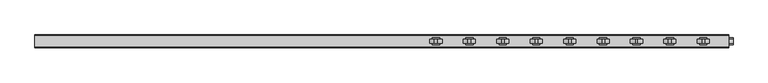
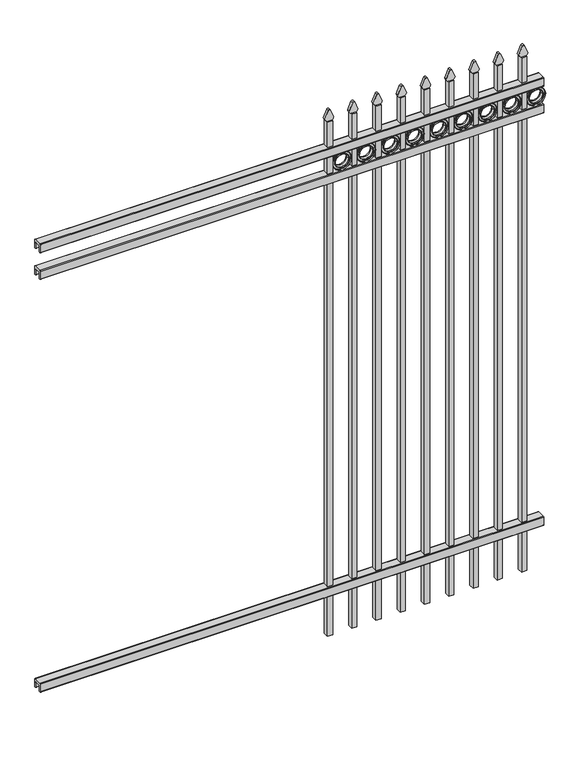
"""IFC4 building model written with IfcOpenShell, lengths in millimetres: railing geometry."""

from ifc_helpers import new_model, si_unit, point, frame, frame_2d, origin, place, context, project, spatial, polyline, circle_curve, trimmed, segment, composite_curve, outline, extrude, source, transform, mapped, element, save


def railing_de94c84d(model_context):
    return source(origin(), model_context, "Body", "SweptSolid", [
        extrude(outline(composite_curve([segment(polyline([(5777.9139761, 304.8), (5815.969541, 304.8)]), True, "CONTINUOUS"), segment(trimmed(circle_curve(frame_2d((5815.969541, 301.625)), 3.175), [point((5815.969541, 304.8))], [point((5819.144541, 301.625))], False, "CARTESIAN"), True, "CONTINUOUS"), segment(polyline([(5819.144541, 301.625), (5819.144541, 262.1439893)]), True, "CONTINUOUS"), segment(trimmed(circle_curve(frame_2d((5817.3505518, 262.1439893)), 1.7939893), [point((5819.144541, 262.1439893))], [point((5817.3505518, 260.35))], False, "CARTESIAN"), True, "CONTINUOUS"), segment(polyline([(5817.3505518, 260.35), (5814.7590713, 260.35)]), True, "CONTINUOUS"), segment(trimmed(circle_curve(frame_2d((5814.7590713, 262.1359375)), 1.7859375), [point((5814.7590713, 260.35))], [point((5812.9755813, 262.0424688))], False, "CARTESIAN"), True, "CONTINUOUS"), segment(polyline([(5812.9755813, 262.0424688), (5811.4025867, 292.0569942), (5782.4364954, 292.0569942), (5780.8635007, 262.0424688)]), True, "CONTINUOUS"), segment(trimmed(circle_curve(frame_2d((5779.0800108, 262.1359375)), 1.7859375), [point((5780.8635007, 262.0424688))], [point((5779.0800108, 260.35))], False, "CARTESIAN"), True, "CONTINUOUS"), segment(polyline([(5779.0800108, 260.35), (5776.4804785, 260.35)]), True, "CONTINUOUS"), segment(trimmed(circle_curve(frame_2d((5776.4804785, 262.1359375)), 1.7859375), [point((5776.4804785, 260.35))], [point((5774.694541, 262.1359375))], False, "CARTESIAN"), True, "CONTINUOUS"), segment(polyline([(5774.694541, 262.1359375), (5774.694541, 301.5805649)]), True, "CONTINUOUS"), segment(trimmed(circle_curve(frame_2d((5777.9139761, 301.5805649)), 3.2194351), [point((5774.694541, 301.5805649))], [point((5777.9139761, 304.8))], False, "CARTESIAN"), True, "CONTINUOUS")], self_intersect=False)), frame((-23871.4649936, 0.0, 0.0), z_axis=(1.0, 0.0, 0.0), x_axis=(0.0, 1.0, 0.0)), (0.0, 0.0, 1.0), 2438.4),
        extrude(outline(composite_curve([segment(polyline([(5777.9139761, 2417.7625), (5815.969541, 2417.7625)]), True, "CONTINUOUS"), segment(trimmed(circle_curve(frame_2d((5815.969541, 2414.5875)), 3.175), [point((5815.969541, 2417.7625))], [point((5819.144541, 2414.5875))], False, "CARTESIAN"), True, "CONTINUOUS"), segment(polyline([(5819.144541, 2414.5875), (5819.144541, 2375.1064893)]), True, "CONTINUOUS"), segment(trimmed(circle_curve(frame_2d((5817.3505518, 2375.1064893)), 1.7939893), [point((5819.144541, 2375.1064893))], [point((5817.3505518, 2373.3125))], False, "CARTESIAN"), True, "CONTINUOUS"), segment(polyline([(5817.3505518, 2373.3125), (5814.7590713, 2373.3125)]), True, "CONTINUOUS"), segment(trimmed(circle_curve(frame_2d((5814.7590713, 2375.0984375)), 1.7859375), [point((5814.7590713, 2373.3125))], [point((5812.9755813, 2375.0049688))], False, "CARTESIAN"), True, "CONTINUOUS"), segment(polyline([(5812.9755813, 2375.0049688), (5811.4025867, 2405.0194942), (5782.4364954, 2405.0194942), (5780.8635007, 2375.0049688)]), True, "CONTINUOUS"), segment(trimmed(circle_curve(frame_2d((5779.0800108, 2375.0984375)), 1.7859375), [point((5780.8635007, 2375.0049688))], [point((5779.0800108, 2373.3125))], False, "CARTESIAN"), True, "CONTINUOUS"), segment(polyline([(5779.0800108, 2373.3125), (5776.4804785, 2373.3125)]), True, "CONTINUOUS"), segment(trimmed(circle_curve(frame_2d((5776.4804785, 2375.0984375)), 1.7859375), [point((5776.4804785, 2373.3125))], [point((5774.694541, 2375.0984375))], False, "CARTESIAN"), True, "CONTINUOUS"), segment(polyline([(5774.694541, 2375.0984375), (5774.694541, 2414.5430649)]), True, "CONTINUOUS"), segment(trimmed(circle_curve(frame_2d((5777.9139761, 2414.5430649)), 3.2194351), [point((5774.694541, 2414.5430649))], [point((5777.9139761, 2417.7625))], False, "CARTESIAN"), True, "CONTINUOUS")], self_intersect=False)), frame((-23871.4649936, 0.0, 0.0), z_axis=(1.0, 0.0, 0.0), x_axis=(0.0, 1.0, 0.0)), (0.0, 0.0, 1.0), 2438.4),
        extrude(outline(composite_curve([segment(polyline([(5777.9139761, 2554.2875), (5815.969541, 2554.2875)]), True, "CONTINUOUS"), segment(trimmed(circle_curve(frame_2d((5815.969541, 2551.1125)), 3.175), [point((5815.969541, 2554.2875))], [point((5819.144541, 2551.1125))], False, "CARTESIAN"), True, "CONTINUOUS"), segment(polyline([(5819.144541, 2551.1125), (5819.144541, 2511.6314893)]), True, "CONTINUOUS"), segment(trimmed(circle_curve(frame_2d((5817.3505518, 2511.6314893)), 1.7939893), [point((5819.144541, 2511.6314893))], [point((5817.3505518, 2509.8375))], False, "CARTESIAN"), True, "CONTINUOUS"), segment(polyline([(5817.3505518, 2509.8375), (5814.7590713, 2509.8375)]), True, "CONTINUOUS"), segment(trimmed(circle_curve(frame_2d((5814.7590713, 2511.6234375)), 1.7859375), [point((5814.7590713, 2509.8375))], [point((5812.9755813, 2511.5299688))], False, "CARTESIAN"), True, "CONTINUOUS"), segment(polyline([(5812.9755813, 2511.5299688), (5811.4025867, 2541.5444942), (5782.4364954, 2541.5444942), (5780.8635007, 2511.5299688)]), True, "CONTINUOUS"), segment(trimmed(circle_curve(frame_2d((5779.0800108, 2511.6234375)), 1.7859375), [point((5780.8635007, 2511.5299688))], [point((5779.0800108, 2509.8375))], False, "CARTESIAN"), True, "CONTINUOUS"), segment(polyline([(5779.0800108, 2509.8375), (5776.4804785, 2509.8375)]), True, "CONTINUOUS"), segment(trimmed(circle_curve(frame_2d((5776.4804785, 2511.6234375)), 1.7859375), [point((5776.4804785, 2509.8375))], [point((5774.694541, 2511.6234375))], False, "CARTESIAN"), True, "CONTINUOUS"), segment(polyline([(5774.694541, 2511.6234375), (5774.694541, 2551.0680649)]), True, "CONTINUOUS"), segment(trimmed(circle_curve(frame_2d((5777.9139761, 2551.0680649)), 3.2194351), [point((5774.694541, 2551.0680649))], [point((5777.9139761, 2554.2875))], False, "CARTESIAN"), True, "CONTINUOUS")], self_intersect=False)), frame((-23871.4649936, 0.0, 0.0), z_axis=(1.0, 0.0, 0.0), x_axis=(0.0, 1.0, 0.0)), (0.0, 0.0, 1.0), 2438.4),
        extrude(outline(composite_curve([segment(polyline([(2683.8798417, -21534.6649936), (2683.8798417, -21508.9743116)]), True, "CONTINUOUS"), segment(trimmed(circle_curve(frame_2d((2702.1299402, -21523.1372336)), 23.1009622), [point((2683.8798417, -21508.9743116))], [point((2696.6676176, -21500.6913545))], False, "CARTESIAN"), True, "CONTINUOUS"), segment(polyline([(2696.6676176, -21500.6913545), (2737.1555225, -21517.0105644)]), True, "CONTINUOUS"), segment(trimmed(circle_curve(frame_2d((2734.0045804, -21522.1405764)), 6.0204202), [point((2737.1555225, -21517.0105644))], [point((2737.1555225, -21527.2705884))], False, "CARTESIAN"), True, "CONTINUOUS"), segment(polyline([(2737.1555225, -21527.2705884), (2697.9339948, -21543.2187724)]), True, "CONTINUOUS"), segment(trimmed(circle_curve(frame_2d((2702.1299402, -21520.5020716)), 23.1009622), [point((2697.9339948, -21543.2187724))], [point((2683.8798417, -21534.6649936))], False, "CARTESIAN"), True, "CONTINUOUS")], self_intersect=False)), frame((0.0, 5790.569541, 0.0), z_axis=(0.0, 1.0, 0.0), x_axis=(0.0, 0.0, 1.0)), (0.0, 0.0, 1.0), 12.7),
        extrude(outline(composite_curve([segment(trimmed(circle_curve(frame_2d((2461.3853669, -21463.1692595)), 45.6988591), [point((2461.3853669, -21417.4704004))], [point((2461.3853669, -21508.8681186))], False, "CARTESIAN"), True, "CONTINUOUS"), segment(trimmed(circle_curve(frame_2d((2461.3853669, -21463.1692595)), 45.6988591), [point((2461.3853669, -21508.8681186))], [point((2461.3853669, -21417.4704004))], False, "CARTESIAN"), True, "CONTINUOUS")], self_intersect=False), holes=[composite_curve([segment(trimmed(circle_curve(frame_2d((2461.3853669, -21463.1692595)), 33.0443887), [point((2461.3853669, -21430.1248708))], [point((2461.3853669, -21496.2136482))], True, "CARTESIAN"), True, "CONTINUOUS"), segment(trimmed(circle_curve(frame_2d((2461.3853669, -21463.1692595)), 33.0443887), [point((2461.3853669, -21496.2136482))], [point((2461.3853669, -21430.1248708))], True, "CARTESIAN"), True, "CONTINUOUS")], self_intersect=False)]), frame((0.0, 5790.569541, 0.0), z_axis=(0.0, 1.0, 0.0), x_axis=(0.0, 0.0, 1.0)), (0.0, 0.0, 1.0), 12.7),
        extrude(outline(polyline([(-21534.6649936, 5809.619541), (-21509.2649936, 5809.619541), (-21509.2649936, 5784.219541), (-21534.6649936, 5784.219541), (-21534.6649936, 5809.619541)])), frame((0.0, 0.0, 50.8), z_axis=(0.0, 0.0, 1.0), x_axis=(1.0, 0.0, 0.0)), (0.0, 0.0, 1.0), 2632.8579232),
        extrude(outline(composite_curve([segment(trimmed(circle_curve(frame_2d((2461.3853669, -21463.1692595)), 45.6988591), [point((2461.3853669, -21417.4704004))], [point((2461.3853669, -21508.8681186))], False, "CARTESIAN"), True, "CONTINUOUS"), segment(trimmed(circle_curve(frame_2d((2461.3853669, -21463.1692595)), 45.6988591), [point((2461.3853669, -21508.8681186))], [point((2461.3853669, -21417.4704004))], False, "CARTESIAN"), True, "CONTINUOUS")], self_intersect=False), holes=[composite_curve([segment(trimmed(circle_curve(frame_2d((2461.3853669, -21463.1692595)), 44.101539), [point((2461.3853669, -21419.0677205))], [point((2461.3853669, -21507.2707985))], True, "CARTESIAN"), True, "CONTINUOUS"), segment(trimmed(circle_curve(frame_2d((2461.3853669, -21463.1692595)), 44.101539), [point((2461.3853669, -21507.2707985))], [point((2461.3853669, -21419.0677205))], True, "CARTESIAN"), True, "CONTINUOUS")], self_intersect=False)]), frame((0.0, 5784.219541, 0.0), z_axis=(0.0, 1.0, 0.0), x_axis=(0.0, 0.0, 1.0)), (0.0, 0.0, 1.0), 25.4),
        extrude(outline(composite_curve([segment(trimmed(circle_curve(frame_2d((2461.3853669, -21463.1692595)), 34.6370762), [point((2461.3853669, -21428.5321833))], [point((2461.3853669, -21497.8063357))], False, "CARTESIAN"), True, "CONTINUOUS"), segment(trimmed(circle_curve(frame_2d((2461.3853669, -21463.1692595)), 34.6370762), [point((2461.3853669, -21497.8063357))], [point((2461.3853669, -21428.5321833))], False, "CARTESIAN"), True, "CONTINUOUS")], self_intersect=False), holes=[composite_curve([segment(trimmed(circle_curve(frame_2d((2461.3853669, -21463.1692595)), 33.0443887), [point((2461.3853669, -21430.1248708))], [point((2461.3853669, -21496.2136482))], True, "CARTESIAN"), True, "CONTINUOUS"), segment(trimmed(circle_curve(frame_2d((2461.3853669, -21463.1692595)), 33.0443887), [point((2461.3853669, -21496.2136482))], [point((2461.3853669, -21430.1248708))], True, "CARTESIAN"), True, "CONTINUOUS")], self_intersect=False)]), frame((0.0, 5784.219541, 0.0), z_axis=(0.0, 1.0, 0.0), x_axis=(0.0, 0.0, 1.0)), (0.0, 0.0, 1.0), 25.4),
        extrude(outline(composite_curve([segment(polyline([(2683.8798417, -21652.1399936), (2683.8798417, -21626.4493116)]), True, "CONTINUOUS"), segment(trimmed(circle_curve(frame_2d((2702.1299402, -21640.6122336)), 23.1009622), [point((2683.8798417, -21626.4493116))], [point((2696.6676176, -21618.1663545))], False, "CARTESIAN"), True, "CONTINUOUS"), segment(polyline([(2696.6676176, -21618.1663545), (2737.1555225, -21634.4855644)]), True, "CONTINUOUS"), segment(trimmed(circle_curve(frame_2d((2734.0045804, -21639.6155764)), 6.0204202), [point((2737.1555225, -21634.4855644))], [point((2737.1555225, -21644.7455884))], False, "CARTESIAN"), True, "CONTINUOUS"), segment(polyline([(2737.1555225, -21644.7455884), (2697.9339948, -21660.6937724)]), True, "CONTINUOUS"), segment(trimmed(circle_curve(frame_2d((2702.1299402, -21637.9770716)), 23.1009622), [point((2697.9339948, -21660.6937724))], [point((2683.8798417, -21652.1399936))], False, "CARTESIAN"), True, "CONTINUOUS")], self_intersect=False)), frame((0.0, 5790.569541, 0.0), z_axis=(0.0, 1.0, 0.0), x_axis=(0.0, 0.0, 1.0)), (0.0, 0.0, 1.0), 12.7),
        extrude(outline(composite_curve([segment(trimmed(circle_curve(frame_2d((2461.3853669, -21580.6442595)), 45.6988591), [point((2461.3853669, -21534.9454004))], [point((2461.3853669, -21626.3431186))], False, "CARTESIAN"), True, "CONTINUOUS"), segment(trimmed(circle_curve(frame_2d((2461.3853669, -21580.6442595)), 45.6988591), [point((2461.3853669, -21626.3431186))], [point((2461.3853669, -21534.9454004))], False, "CARTESIAN"), True, "CONTINUOUS")], self_intersect=False), holes=[composite_curve([segment(trimmed(circle_curve(frame_2d((2461.3853669, -21580.6442595)), 33.0443887), [point((2461.3853669, -21547.5998708))], [point((2461.3853669, -21613.6886482))], True, "CARTESIAN"), True, "CONTINUOUS"), segment(trimmed(circle_curve(frame_2d((2461.3853669, -21580.6442595)), 33.0443887), [point((2461.3853669, -21613.6886482))], [point((2461.3853669, -21547.5998708))], True, "CARTESIAN"), True, "CONTINUOUS")], self_intersect=False)]), frame((0.0, 5790.569541, 0.0), z_axis=(0.0, 1.0, 0.0), x_axis=(0.0, 0.0, 1.0)), (0.0, 0.0, 1.0), 12.7),
        extrude(outline(polyline([(-21652.1399936, 5809.619541), (-21626.7399936, 5809.619541), (-21626.7399936, 5784.219541), (-21652.1399936, 5784.219541), (-21652.1399936, 5809.619541)])), frame((0.0, 0.0, 50.8), z_axis=(0.0, 0.0, 1.0), x_axis=(1.0, 0.0, 0.0)), (0.0, 0.0, 1.0), 2632.8579232),
        extrude(outline(composite_curve([segment(trimmed(circle_curve(frame_2d((2461.3853669, -21580.6442595)), 45.6988591), [point((2461.3853669, -21534.9454004))], [point((2461.3853669, -21626.3431186))], False, "CARTESIAN"), True, "CONTINUOUS"), segment(trimmed(circle_curve(frame_2d((2461.3853669, -21580.6442595)), 45.6988591), [point((2461.3853669, -21626.3431186))], [point((2461.3853669, -21534.9454004))], False, "CARTESIAN"), True, "CONTINUOUS")], self_intersect=False), holes=[composite_curve([segment(trimmed(circle_curve(frame_2d((2461.3853669, -21580.6442595)), 44.101539), [point((2461.3853669, -21536.5427205))], [point((2461.3853669, -21624.7457985))], True, "CARTESIAN"), True, "CONTINUOUS"), segment(trimmed(circle_curve(frame_2d((2461.3853669, -21580.6442595)), 44.101539), [point((2461.3853669, -21624.7457985))], [point((2461.3853669, -21536.5427205))], True, "CARTESIAN"), True, "CONTINUOUS")], self_intersect=False)]), frame((0.0, 5784.219541, 0.0), z_axis=(0.0, 1.0, 0.0), x_axis=(0.0, 0.0, 1.0)), (0.0, 0.0, 1.0), 25.4),
        extrude(outline(composite_curve([segment(trimmed(circle_curve(frame_2d((2461.3853669, -21580.6442595)), 34.6370762), [point((2461.3853669, -21546.0071833))], [point((2461.3853669, -21615.2813357))], False, "CARTESIAN"), True, "CONTINUOUS"), segment(trimmed(circle_curve(frame_2d((2461.3853669, -21580.6442595)), 34.6370762), [point((2461.3853669, -21615.2813357))], [point((2461.3853669, -21546.0071833))], False, "CARTESIAN"), True, "CONTINUOUS")], self_intersect=False), holes=[composite_curve([segment(trimmed(circle_curve(frame_2d((2461.3853669, -21580.6442595)), 33.0443887), [point((2461.3853669, -21547.5998708))], [point((2461.3853669, -21613.6886482))], True, "CARTESIAN"), True, "CONTINUOUS"), segment(trimmed(circle_curve(frame_2d((2461.3853669, -21580.6442595)), 33.0443887), [point((2461.3853669, -21613.6886482))], [point((2461.3853669, -21547.5998708))], True, "CARTESIAN"), True, "CONTINUOUS")], self_intersect=False)]), frame((0.0, 5784.219541, 0.0), z_axis=(0.0, 1.0, 0.0), x_axis=(0.0, 0.0, 1.0)), (0.0, 0.0, 1.0), 25.4),
        extrude(outline(composite_curve([segment(polyline([(2683.8798417, -21769.6149936), (2683.8798417, -21743.9243116)]), True, "CONTINUOUS"), segment(trimmed(circle_curve(frame_2d((2702.1299402, -21758.0872336)), 23.1009622), [point((2683.8798417, -21743.9243116))], [point((2696.6676176, -21735.6413545))], False, "CARTESIAN"), True, "CONTINUOUS"), segment(polyline([(2696.6676176, -21735.6413545), (2737.1555225, -21751.9605644)]), True, "CONTINUOUS"), segment(trimmed(circle_curve(frame_2d((2734.0045804, -21757.0905764)), 6.0204202), [point((2737.1555225, -21751.9605644))], [point((2737.1555225, -21762.2205884))], False, "CARTESIAN"), True, "CONTINUOUS"), segment(polyline([(2737.1555225, -21762.2205884), (2697.9339948, -21778.1687724)]), True, "CONTINUOUS"), segment(trimmed(circle_curve(frame_2d((2702.1299402, -21755.4520716)), 23.1009622), [point((2697.9339948, -21778.1687724))], [point((2683.8798417, -21769.6149936))], False, "CARTESIAN"), True, "CONTINUOUS")], self_intersect=False)), frame((0.0, 5790.569541, 0.0), z_axis=(0.0, 1.0, 0.0), x_axis=(0.0, 0.0, 1.0)), (0.0, 0.0, 1.0), 12.7),
        extrude(outline(composite_curve([segment(trimmed(circle_curve(frame_2d((2461.3853669, -21698.1192595)), 45.6988591), [point((2461.3853669, -21652.4204004))], [point((2461.3853669, -21743.8181186))], False, "CARTESIAN"), True, "CONTINUOUS"), segment(trimmed(circle_curve(frame_2d((2461.3853669, -21698.1192595)), 45.6988591), [point((2461.3853669, -21743.8181186))], [point((2461.3853669, -21652.4204004))], False, "CARTESIAN"), True, "CONTINUOUS")], self_intersect=False), holes=[composite_curve([segment(trimmed(circle_curve(frame_2d((2461.3853669, -21698.1192595)), 33.0443887), [point((2461.3853669, -21665.0748708))], [point((2461.3853669, -21731.1636482))], True, "CARTESIAN"), True, "CONTINUOUS"), segment(trimmed(circle_curve(frame_2d((2461.3853669, -21698.1192595)), 33.0443887), [point((2461.3853669, -21731.1636482))], [point((2461.3853669, -21665.0748708))], True, "CARTESIAN"), True, "CONTINUOUS")], self_intersect=False)]), frame((0.0, 5790.569541, 0.0), z_axis=(0.0, 1.0, 0.0), x_axis=(0.0, 0.0, 1.0)), (0.0, 0.0, 1.0), 12.7),
        extrude(outline(polyline([(-21769.6149936, 5809.619541), (-21744.2149936, 5809.619541), (-21744.2149936, 5784.219541), (-21769.6149936, 5784.219541), (-21769.6149936, 5809.619541)])), frame((0.0, 0.0, 50.8), z_axis=(0.0, 0.0, 1.0), x_axis=(1.0, 0.0, 0.0)), (0.0, 0.0, 1.0), 2632.8579232),
        extrude(outline(composite_curve([segment(trimmed(circle_curve(frame_2d((2461.3853669, -21698.1192595)), 45.6988591), [point((2461.3853669, -21652.4204004))], [point((2461.3853669, -21743.8181186))], False, "CARTESIAN"), True, "CONTINUOUS"), segment(trimmed(circle_curve(frame_2d((2461.3853669, -21698.1192595)), 45.6988591), [point((2461.3853669, -21743.8181186))], [point((2461.3853669, -21652.4204004))], False, "CARTESIAN"), True, "CONTINUOUS")], self_intersect=False), holes=[composite_curve([segment(trimmed(circle_curve(frame_2d((2461.3853669, -21698.1192595)), 44.101539), [point((2461.3853669, -21654.0177205))], [point((2461.3853669, -21742.2207985))], True, "CARTESIAN"), True, "CONTINUOUS"), segment(trimmed(circle_curve(frame_2d((2461.3853669, -21698.1192595)), 44.101539), [point((2461.3853669, -21742.2207985))], [point((2461.3853669, -21654.0177205))], True, "CARTESIAN"), True, "CONTINUOUS")], self_intersect=False)]), frame((0.0, 5784.219541, 0.0), z_axis=(0.0, 1.0, 0.0), x_axis=(0.0, 0.0, 1.0)), (0.0, 0.0, 1.0), 25.4),
        extrude(outline(composite_curve([segment(trimmed(circle_curve(frame_2d((2461.3853669, -21698.1192595)), 34.6370762), [point((2461.3853669, -21663.4821833))], [point((2461.3853669, -21732.7563357))], False, "CARTESIAN"), True, "CONTINUOUS"), segment(trimmed(circle_curve(frame_2d((2461.3853669, -21698.1192595)), 34.6370762), [point((2461.3853669, -21732.7563357))], [point((2461.3853669, -21663.4821833))], False, "CARTESIAN"), True, "CONTINUOUS")], self_intersect=False), holes=[composite_curve([segment(trimmed(circle_curve(frame_2d((2461.3853669, -21698.1192595)), 33.0443887), [point((2461.3853669, -21665.0748708))], [point((2461.3853669, -21731.1636482))], True, "CARTESIAN"), True, "CONTINUOUS"), segment(trimmed(circle_curve(frame_2d((2461.3853669, -21698.1192595)), 33.0443887), [point((2461.3853669, -21731.1636482))], [point((2461.3853669, -21665.0748708))], True, "CARTESIAN"), True, "CONTINUOUS")], self_intersect=False)]), frame((0.0, 5784.219541, 0.0), z_axis=(0.0, 1.0, 0.0), x_axis=(0.0, 0.0, 1.0)), (0.0, 0.0, 1.0), 25.4),
        extrude(outline(composite_curve([segment(polyline([(2683.8798417, -21887.0899936), (2683.8798417, -21861.3993116)]), True, "CONTINUOUS"), segment(trimmed(circle_curve(frame_2d((2702.1299402, -21875.5622336)), 23.1009622), [point((2683.8798417, -21861.3993116))], [point((2696.6676176, -21853.1163545))], False, "CARTESIAN"), True, "CONTINUOUS"), segment(polyline([(2696.6676176, -21853.1163545), (2737.1555225, -21869.4355644)]), True, "CONTINUOUS"), segment(trimmed(circle_curve(frame_2d((2734.0045804, -21874.5655764)), 6.0204202), [point((2737.1555225, -21869.4355644))], [point((2737.1555225, -21879.6955884))], False, "CARTESIAN"), True, "CONTINUOUS"), segment(polyline([(2737.1555225, -21879.6955884), (2697.9339948, -21895.6437724)]), True, "CONTINUOUS"), segment(trimmed(circle_curve(frame_2d((2702.1299402, -21872.9270716)), 23.1009622), [point((2697.9339948, -21895.6437724))], [point((2683.8798417, -21887.0899936))], False, "CARTESIAN"), True, "CONTINUOUS")], self_intersect=False)), frame((0.0, 5790.569541, 0.0), z_axis=(0.0, 1.0, 0.0), x_axis=(0.0, 0.0, 1.0)), (0.0, 0.0, 1.0), 12.7),
        extrude(outline(composite_curve([segment(trimmed(circle_curve(frame_2d((2461.3853669, -21815.5942595)), 45.6988591), [point((2461.3853669, -21769.8954004))], [point((2461.3853669, -21861.2931186))], False, "CARTESIAN"), True, "CONTINUOUS"), segment(trimmed(circle_curve(frame_2d((2461.3853669, -21815.5942595)), 45.6988591), [point((2461.3853669, -21861.2931186))], [point((2461.3853669, -21769.8954004))], False, "CARTESIAN"), True, "CONTINUOUS")], self_intersect=False), holes=[composite_curve([segment(trimmed(circle_curve(frame_2d((2461.3853669, -21815.5942595)), 33.0443887), [point((2461.3853669, -21782.5498708))], [point((2461.3853669, -21848.6386482))], True, "CARTESIAN"), True, "CONTINUOUS"), segment(trimmed(circle_curve(frame_2d((2461.3853669, -21815.5942595)), 33.0443887), [point((2461.3853669, -21848.6386482))], [point((2461.3853669, -21782.5498708))], True, "CARTESIAN"), True, "CONTINUOUS")], self_intersect=False)]), frame((0.0, 5790.569541, 0.0), z_axis=(0.0, 1.0, 0.0), x_axis=(0.0, 0.0, 1.0)), (0.0, 0.0, 1.0), 12.7),
        extrude(outline(polyline([(-21887.0899936, 5809.619541), (-21861.6899936, 5809.619541), (-21861.6899936, 5784.219541), (-21887.0899936, 5784.219541), (-21887.0899936, 5809.619541)])), frame((0.0, 0.0, 50.8), z_axis=(0.0, 0.0, 1.0), x_axis=(1.0, 0.0, 0.0)), (0.0, 0.0, 1.0), 2632.8579232),
        extrude(outline(composite_curve([segment(trimmed(circle_curve(frame_2d((2461.3853669, -21815.5942595)), 45.6988591), [point((2461.3853669, -21769.8954004))], [point((2461.3853669, -21861.2931186))], False, "CARTESIAN"), True, "CONTINUOUS"), segment(trimmed(circle_curve(frame_2d((2461.3853669, -21815.5942595)), 45.6988591), [point((2461.3853669, -21861.2931186))], [point((2461.3853669, -21769.8954004))], False, "CARTESIAN"), True, "CONTINUOUS")], self_intersect=False), holes=[composite_curve([segment(trimmed(circle_curve(frame_2d((2461.3853669, -21815.5942595)), 44.101539), [point((2461.3853669, -21771.4927205))], [point((2461.3853669, -21859.6957985))], True, "CARTESIAN"), True, "CONTINUOUS"), segment(trimmed(circle_curve(frame_2d((2461.3853669, -21815.5942595)), 44.101539), [point((2461.3853669, -21859.6957985))], [point((2461.3853669, -21771.4927205))], True, "CARTESIAN"), True, "CONTINUOUS")], self_intersect=False)]), frame((0.0, 5784.219541, 0.0), z_axis=(0.0, 1.0, 0.0), x_axis=(0.0, 0.0, 1.0)), (0.0, 0.0, 1.0), 25.4),
        extrude(outline(composite_curve([segment(trimmed(circle_curve(frame_2d((2461.3853669, -21815.5942595)), 34.6370762), [point((2461.3853669, -21780.9571833))], [point((2461.3853669, -21850.2313357))], False, "CARTESIAN"), True, "CONTINUOUS"), segment(trimmed(circle_curve(frame_2d((2461.3853669, -21815.5942595)), 34.6370762), [point((2461.3853669, -21850.2313357))], [point((2461.3853669, -21780.9571833))], False, "CARTESIAN"), True, "CONTINUOUS")], self_intersect=False), holes=[composite_curve([segment(trimmed(circle_curve(frame_2d((2461.3853669, -21815.5942595)), 33.0443887), [point((2461.3853669, -21782.5498708))], [point((2461.3853669, -21848.6386482))], True, "CARTESIAN"), True, "CONTINUOUS"), segment(trimmed(circle_curve(frame_2d((2461.3853669, -21815.5942595)), 33.0443887), [point((2461.3853669, -21848.6386482))], [point((2461.3853669, -21782.5498708))], True, "CARTESIAN"), True, "CONTINUOUS")], self_intersect=False)]), frame((0.0, 5784.219541, 0.0), z_axis=(0.0, 1.0, 0.0), x_axis=(0.0, 0.0, 1.0)), (0.0, 0.0, 1.0), 25.4),
        extrude(outline(composite_curve([segment(polyline([(2683.8798417, -22004.5649936), (2683.8798417, -21978.8743116)]), True, "CONTINUOUS"), segment(trimmed(circle_curve(frame_2d((2702.1299402, -21993.0372336)), 23.1009622), [point((2683.8798417, -21978.8743116))], [point((2696.6676176, -21970.5913545))], False, "CARTESIAN"), True, "CONTINUOUS"), segment(polyline([(2696.6676176, -21970.5913545), (2737.1555225, -21986.9105644)]), True, "CONTINUOUS"), segment(trimmed(circle_curve(frame_2d((2734.0045804, -21992.0405764)), 6.0204202), [point((2737.1555225, -21986.9105644))], [point((2737.1555225, -21997.1705884))], False, "CARTESIAN"), True, "CONTINUOUS"), segment(polyline([(2737.1555225, -21997.1705884), (2697.9339948, -22013.1187724)]), True, "CONTINUOUS"), segment(trimmed(circle_curve(frame_2d((2702.1299402, -21990.4020716)), 23.1009622), [point((2697.9339948, -22013.1187724))], [point((2683.8798417, -22004.5649936))], False, "CARTESIAN"), True, "CONTINUOUS")], self_intersect=False)), frame((0.0, 5790.569541, 0.0), z_axis=(0.0, 1.0, 0.0), x_axis=(0.0, 0.0, 1.0)), (0.0, 0.0, 1.0), 12.7),
        extrude(outline(composite_curve([segment(trimmed(circle_curve(frame_2d((2461.3853669, -21933.0692595)), 45.6988591), [point((2461.3853669, -21887.3704004))], [point((2461.3853669, -21978.7681186))], False, "CARTESIAN"), True, "CONTINUOUS"), segment(trimmed(circle_curve(frame_2d((2461.3853669, -21933.0692595)), 45.6988591), [point((2461.3853669, -21978.7681186))], [point((2461.3853669, -21887.3704004))], False, "CARTESIAN"), True, "CONTINUOUS")], self_intersect=False), holes=[composite_curve([segment(trimmed(circle_curve(frame_2d((2461.3853669, -21933.0692595)), 33.0443887), [point((2461.3853669, -21900.0248708))], [point((2461.3853669, -21966.1136482))], True, "CARTESIAN"), True, "CONTINUOUS"), segment(trimmed(circle_curve(frame_2d((2461.3853669, -21933.0692595)), 33.0443887), [point((2461.3853669, -21966.1136482))], [point((2461.3853669, -21900.0248708))], True, "CARTESIAN"), True, "CONTINUOUS")], self_intersect=False)]), frame((0.0, 5790.569541, 0.0), z_axis=(0.0, 1.0, 0.0), x_axis=(0.0, 0.0, 1.0)), (0.0, 0.0, 1.0), 12.7),
        extrude(outline(polyline([(-22004.5649936, 5809.619541), (-21979.1649936, 5809.619541), (-21979.1649936, 5784.219541), (-22004.5649936, 5784.219541), (-22004.5649936, 5809.619541)])), frame((0.0, 0.0, 50.8), z_axis=(0.0, 0.0, 1.0), x_axis=(1.0, 0.0, 0.0)), (0.0, 0.0, 1.0), 2632.8579232),
        extrude(outline(composite_curve([segment(trimmed(circle_curve(frame_2d((2461.3853669, -21933.0692595)), 45.6988591), [point((2461.3853669, -21887.3704004))], [point((2461.3853669, -21978.7681186))], False, "CARTESIAN"), True, "CONTINUOUS"), segment(trimmed(circle_curve(frame_2d((2461.3853669, -21933.0692595)), 45.6988591), [point((2461.3853669, -21978.7681186))], [point((2461.3853669, -21887.3704004))], False, "CARTESIAN"), True, "CONTINUOUS")], self_intersect=False), holes=[composite_curve([segment(trimmed(circle_curve(frame_2d((2461.3853669, -21933.0692595)), 44.101539), [point((2461.3853669, -21888.9677205))], [point((2461.3853669, -21977.1707985))], True, "CARTESIAN"), True, "CONTINUOUS"), segment(trimmed(circle_curve(frame_2d((2461.3853669, -21933.0692595)), 44.101539), [point((2461.3853669, -21977.1707985))], [point((2461.3853669, -21888.9677205))], True, "CARTESIAN"), True, "CONTINUOUS")], self_intersect=False)]), frame((0.0, 5784.219541, 0.0), z_axis=(0.0, 1.0, 0.0), x_axis=(0.0, 0.0, 1.0)), (0.0, 0.0, 1.0), 25.4),
        extrude(outline(composite_curve([segment(trimmed(circle_curve(frame_2d((2461.3853669, -21933.0692595)), 34.6370762), [point((2461.3853669, -21898.4321833))], [point((2461.3853669, -21967.7063357))], False, "CARTESIAN"), True, "CONTINUOUS"), segment(trimmed(circle_curve(frame_2d((2461.3853669, -21933.0692595)), 34.6370762), [point((2461.3853669, -21967.7063357))], [point((2461.3853669, -21898.4321833))], False, "CARTESIAN"), True, "CONTINUOUS")], self_intersect=False), holes=[composite_curve([segment(trimmed(circle_curve(frame_2d((2461.3853669, -21933.0692595)), 33.0443887), [point((2461.3853669, -21900.0248708))], [point((2461.3853669, -21966.1136482))], True, "CARTESIAN"), True, "CONTINUOUS"), segment(trimmed(circle_curve(frame_2d((2461.3853669, -21933.0692595)), 33.0443887), [point((2461.3853669, -21966.1136482))], [point((2461.3853669, -21900.0248708))], True, "CARTESIAN"), True, "CONTINUOUS")], self_intersect=False)]), frame((0.0, 5784.219541, 0.0), z_axis=(0.0, 1.0, 0.0), x_axis=(0.0, 0.0, 1.0)), (0.0, 0.0, 1.0), 25.4),
        extrude(outline(composite_curve([segment(polyline([(2683.8798417, -22122.0399936), (2683.8798417, -22096.3493116)]), True, "CONTINUOUS"), segment(trimmed(circle_curve(frame_2d((2702.1299402, -22110.5122336)), 23.1009622), [point((2683.8798417, -22096.3493116))], [point((2696.6676176, -22088.0663545))], False, "CARTESIAN"), True, "CONTINUOUS"), segment(polyline([(2696.6676176, -22088.0663545), (2737.1555225, -22104.3855644)]), True, "CONTINUOUS"), segment(trimmed(circle_curve(frame_2d((2734.0045804, -22109.5155764)), 6.0204202), [point((2737.1555225, -22104.3855644))], [point((2737.1555225, -22114.6455884))], False, "CARTESIAN"), True, "CONTINUOUS"), segment(polyline([(2737.1555225, -22114.6455884), (2697.9339948, -22130.5937724)]), True, "CONTINUOUS"), segment(trimmed(circle_curve(frame_2d((2702.1299402, -22107.8770716)), 23.1009622), [point((2697.9339948, -22130.5937724))], [point((2683.8798417, -22122.0399936))], False, "CARTESIAN"), True, "CONTINUOUS")], self_intersect=False)), frame((0.0, 5790.569541, 0.0), z_axis=(0.0, 1.0, 0.0), x_axis=(0.0, 0.0, 1.0)), (0.0, 0.0, 1.0), 12.7),
        extrude(outline(composite_curve([segment(trimmed(circle_curve(frame_2d((2461.3853669, -22050.5442595)), 45.6988591), [point((2461.3853669, -22004.8454004))], [point((2461.3853669, -22096.2431186))], False, "CARTESIAN"), True, "CONTINUOUS"), segment(trimmed(circle_curve(frame_2d((2461.3853669, -22050.5442595)), 45.6988591), [point((2461.3853669, -22096.2431186))], [point((2461.3853669, -22004.8454004))], False, "CARTESIAN"), True, "CONTINUOUS")], self_intersect=False), holes=[composite_curve([segment(trimmed(circle_curve(frame_2d((2461.3853669, -22050.5442595)), 33.0443887), [point((2461.3853669, -22017.4998708))], [point((2461.3853669, -22083.5886482))], True, "CARTESIAN"), True, "CONTINUOUS"), segment(trimmed(circle_curve(frame_2d((2461.3853669, -22050.5442595)), 33.0443887), [point((2461.3853669, -22083.5886482))], [point((2461.3853669, -22017.4998708))], True, "CARTESIAN"), True, "CONTINUOUS")], self_intersect=False)]), frame((0.0, 5790.569541, 0.0), z_axis=(0.0, 1.0, 0.0), x_axis=(0.0, 0.0, 1.0)), (0.0, 0.0, 1.0), 12.7),
        extrude(outline(polyline([(-22122.0399936, 5809.619541), (-22096.6399936, 5809.619541), (-22096.6399936, 5784.219541), (-22122.0399936, 5784.219541), (-22122.0399936, 5809.619541)])), frame((0.0, 0.0, 50.8), z_axis=(0.0, 0.0, 1.0), x_axis=(1.0, 0.0, 0.0)), (0.0, 0.0, 1.0), 2632.8579232),
        extrude(outline(composite_curve([segment(trimmed(circle_curve(frame_2d((2461.3853669, -22050.5442595)), 45.6988591), [point((2461.3853669, -22004.8454004))], [point((2461.3853669, -22096.2431186))], False, "CARTESIAN"), True, "CONTINUOUS"), segment(trimmed(circle_curve(frame_2d((2461.3853669, -22050.5442595)), 45.6988591), [point((2461.3853669, -22096.2431186))], [point((2461.3853669, -22004.8454004))], False, "CARTESIAN"), True, "CONTINUOUS")], self_intersect=False), holes=[composite_curve([segment(trimmed(circle_curve(frame_2d((2461.3853669, -22050.5442595)), 44.101539), [point((2461.3853669, -22006.4427205))], [point((2461.3853669, -22094.6457985))], True, "CARTESIAN"), True, "CONTINUOUS"), segment(trimmed(circle_curve(frame_2d((2461.3853669, -22050.5442595)), 44.101539), [point((2461.3853669, -22094.6457985))], [point((2461.3853669, -22006.4427205))], True, "CARTESIAN"), True, "CONTINUOUS")], self_intersect=False)]), frame((0.0, 5784.219541, 0.0), z_axis=(0.0, 1.0, 0.0), x_axis=(0.0, 0.0, 1.0)), (0.0, 0.0, 1.0), 25.4),
        extrude(outline(composite_curve([segment(trimmed(circle_curve(frame_2d((2461.3853669, -22050.5442595)), 34.6370762), [point((2461.3853669, -22015.9071833))], [point((2461.3853669, -22085.1813357))], False, "CARTESIAN"), True, "CONTINUOUS"), segment(trimmed(circle_curve(frame_2d((2461.3853669, -22050.5442595)), 34.6370762), [point((2461.3853669, -22085.1813357))], [point((2461.3853669, -22015.9071833))], False, "CARTESIAN"), True, "CONTINUOUS")], self_intersect=False), holes=[composite_curve([segment(trimmed(circle_curve(frame_2d((2461.3853669, -22050.5442595)), 33.0443887), [point((2461.3853669, -22017.4998708))], [point((2461.3853669, -22083.5886482))], True, "CARTESIAN"), True, "CONTINUOUS"), segment(trimmed(circle_curve(frame_2d((2461.3853669, -22050.5442595)), 33.0443887), [point((2461.3853669, -22083.5886482))], [point((2461.3853669, -22017.4998708))], True, "CARTESIAN"), True, "CONTINUOUS")], self_intersect=False)]), frame((0.0, 5784.219541, 0.0), z_axis=(0.0, 1.0, 0.0), x_axis=(0.0, 0.0, 1.0)), (0.0, 0.0, 1.0), 25.4),
        extrude(outline(composite_curve([segment(polyline([(2683.8798417, -22239.5149936), (2683.8798417, -22213.8243116)]), True, "CONTINUOUS"), segment(trimmed(circle_curve(frame_2d((2702.1299402, -22227.9872336)), 23.1009622), [point((2683.8798417, -22213.8243116))], [point((2696.6676176, -22205.5413545))], False, "CARTESIAN"), True, "CONTINUOUS"), segment(polyline([(2696.6676176, -22205.5413545), (2737.1555225, -22221.8605644)]), True, "CONTINUOUS"), segment(trimmed(circle_curve(frame_2d((2734.0045804, -22226.9905764)), 6.0204202), [point((2737.1555225, -22221.8605644))], [point((2737.1555225, -22232.1205884))], False, "CARTESIAN"), True, "CONTINUOUS"), segment(polyline([(2737.1555225, -22232.1205884), (2697.9339948, -22248.0687724)]), True, "CONTINUOUS"), segment(trimmed(circle_curve(frame_2d((2702.1299402, -22225.3520716)), 23.1009622), [point((2697.9339948, -22248.0687724))], [point((2683.8798417, -22239.5149936))], False, "CARTESIAN"), True, "CONTINUOUS")], self_intersect=False)), frame((0.0, 5790.569541, 0.0), z_axis=(0.0, 1.0, 0.0), x_axis=(0.0, 0.0, 1.0)), (0.0, 0.0, 1.0), 12.7),
        extrude(outline(composite_curve([segment(trimmed(circle_curve(frame_2d((2461.3853669, -22168.0192595)), 45.6988591), [point((2461.3853669, -22122.3204004))], [point((2461.3853669, -22213.7181186))], False, "CARTESIAN"), True, "CONTINUOUS"), segment(trimmed(circle_curve(frame_2d((2461.3853669, -22168.0192595)), 45.6988591), [point((2461.3853669, -22213.7181186))], [point((2461.3853669, -22122.3204004))], False, "CARTESIAN"), True, "CONTINUOUS")], self_intersect=False), holes=[composite_curve([segment(trimmed(circle_curve(frame_2d((2461.3853669, -22168.0192595)), 33.0443887), [point((2461.3853669, -22134.9748708))], [point((2461.3853669, -22201.0636482))], True, "CARTESIAN"), True, "CONTINUOUS"), segment(trimmed(circle_curve(frame_2d((2461.3853669, -22168.0192595)), 33.0443887), [point((2461.3853669, -22201.0636482))], [point((2461.3853669, -22134.9748708))], True, "CARTESIAN"), True, "CONTINUOUS")], self_intersect=False)]), frame((0.0, 5790.569541, 0.0), z_axis=(0.0, 1.0, 0.0), x_axis=(0.0, 0.0, 1.0)), (0.0, 0.0, 1.0), 12.7),
        extrude(outline(polyline([(-22239.5149936, 5809.619541), (-22214.1149936, 5809.619541), (-22214.1149936, 5784.219541), (-22239.5149936, 5784.219541), (-22239.5149936, 5809.619541)])), frame((0.0, 0.0, 50.8), z_axis=(0.0, 0.0, 1.0), x_axis=(1.0, 0.0, 0.0)), (0.0, 0.0, 1.0), 2632.8579232),
        extrude(outline(composite_curve([segment(trimmed(circle_curve(frame_2d((2461.3853669, -22168.0192595)), 45.6988591), [point((2461.3853669, -22122.3204004))], [point((2461.3853669, -22213.7181186))], False, "CARTESIAN"), True, "CONTINUOUS"), segment(trimmed(circle_curve(frame_2d((2461.3853669, -22168.0192595)), 45.6988591), [point((2461.3853669, -22213.7181186))], [point((2461.3853669, -22122.3204004))], False, "CARTESIAN"), True, "CONTINUOUS")], self_intersect=False), holes=[composite_curve([segment(trimmed(circle_curve(frame_2d((2461.3853669, -22168.0192595)), 44.101539), [point((2461.3853669, -22123.9177205))], [point((2461.3853669, -22212.1207985))], True, "CARTESIAN"), True, "CONTINUOUS"), segment(trimmed(circle_curve(frame_2d((2461.3853669, -22168.0192595)), 44.101539), [point((2461.3853669, -22212.1207985))], [point((2461.3853669, -22123.9177205))], True, "CARTESIAN"), True, "CONTINUOUS")], self_intersect=False)]), frame((0.0, 5784.219541, 0.0), z_axis=(0.0, 1.0, 0.0), x_axis=(0.0, 0.0, 1.0)), (0.0, 0.0, 1.0), 25.4),
        extrude(outline(composite_curve([segment(trimmed(circle_curve(frame_2d((2461.3853669, -22168.0192595)), 34.6370762), [point((2461.3853669, -22133.3821833))], [point((2461.3853669, -22202.6563357))], False, "CARTESIAN"), True, "CONTINUOUS"), segment(trimmed(circle_curve(frame_2d((2461.3853669, -22168.0192595)), 34.6370762), [point((2461.3853669, -22202.6563357))], [point((2461.3853669, -22133.3821833))], False, "CARTESIAN"), True, "CONTINUOUS")], self_intersect=False), holes=[composite_curve([segment(trimmed(circle_curve(frame_2d((2461.3853669, -22168.0192595)), 33.0443887), [point((2461.3853669, -22134.9748708))], [point((2461.3853669, -22201.0636482))], True, "CARTESIAN"), True, "CONTINUOUS"), segment(trimmed(circle_curve(frame_2d((2461.3853669, -22168.0192595)), 33.0443887), [point((2461.3853669, -22201.0636482))], [point((2461.3853669, -22134.9748708))], True, "CARTESIAN"), True, "CONTINUOUS")], self_intersect=False)]), frame((0.0, 5784.219541, 0.0), z_axis=(0.0, 1.0, 0.0), x_axis=(0.0, 0.0, 1.0)), (0.0, 0.0, 1.0), 25.4),
        extrude(outline(composite_curve([segment(polyline([(2683.8798417, -22356.9899936), (2683.8798417, -22331.2993116)]), True, "CONTINUOUS"), segment(trimmed(circle_curve(frame_2d((2702.1299402, -22345.4622336)), 23.1009622), [point((2683.8798417, -22331.2993116))], [point((2696.6676176, -22323.0163545))], False, "CARTESIAN"), True, "CONTINUOUS"), segment(polyline([(2696.6676176, -22323.0163545), (2737.1555225, -22339.3355644)]), True, "CONTINUOUS"), segment(trimmed(circle_curve(frame_2d((2734.0045804, -22344.4655764)), 6.0204202), [point((2737.1555225, -22339.3355644))], [point((2737.1555225, -22349.5955884))], False, "CARTESIAN"), True, "CONTINUOUS"), segment(polyline([(2737.1555225, -22349.5955884), (2697.9339948, -22365.5437724)]), True, "CONTINUOUS"), segment(trimmed(circle_curve(frame_2d((2702.1299402, -22342.8270716)), 23.1009622), [point((2697.9339948, -22365.5437724))], [point((2683.8798417, -22356.9899936))], False, "CARTESIAN"), True, "CONTINUOUS")], self_intersect=False)), frame((0.0, 5790.569541, 0.0), z_axis=(0.0, 1.0, 0.0), x_axis=(0.0, 0.0, 1.0)), (0.0, 0.0, 1.0), 12.7),
        extrude(outline(composite_curve([segment(trimmed(circle_curve(frame_2d((2461.3853669, -22285.4942595)), 45.6988591), [point((2461.3853669, -22239.7954004))], [point((2461.3853669, -22331.1931186))], False, "CARTESIAN"), True, "CONTINUOUS"), segment(trimmed(circle_curve(frame_2d((2461.3853669, -22285.4942595)), 45.6988591), [point((2461.3853669, -22331.1931186))], [point((2461.3853669, -22239.7954004))], False, "CARTESIAN"), True, "CONTINUOUS")], self_intersect=False), holes=[composite_curve([segment(trimmed(circle_curve(frame_2d((2461.3853669, -22285.4942595)), 33.0443887), [point((2461.3853669, -22252.4498708))], [point((2461.3853669, -22318.5386482))], True, "CARTESIAN"), True, "CONTINUOUS"), segment(trimmed(circle_curve(frame_2d((2461.3853669, -22285.4942595)), 33.0443887), [point((2461.3853669, -22318.5386482))], [point((2461.3853669, -22252.4498708))], True, "CARTESIAN"), True, "CONTINUOUS")], self_intersect=False)]), frame((0.0, 5790.569541, 0.0), z_axis=(0.0, 1.0, 0.0), x_axis=(0.0, 0.0, 1.0)), (0.0, 0.0, 1.0), 12.7),
        extrude(outline(polyline([(-22356.9899936, 5809.619541), (-22331.5899936, 5809.619541), (-22331.5899936, 5784.219541), (-22356.9899936, 5784.219541), (-22356.9899936, 5809.619541)])), frame((0.0, 0.0, 50.8), z_axis=(0.0, 0.0, 1.0), x_axis=(1.0, 0.0, 0.0)), (0.0, 0.0, 1.0), 2632.8579232),
        extrude(outline(composite_curve([segment(trimmed(circle_curve(frame_2d((2461.3853669, -22285.4942595)), 45.6988591), [point((2461.3853669, -22239.7954004))], [point((2461.3853669, -22331.1931186))], False, "CARTESIAN"), True, "CONTINUOUS"), segment(trimmed(circle_curve(frame_2d((2461.3853669, -22285.4942595)), 45.6988591), [point((2461.3853669, -22331.1931186))], [point((2461.3853669, -22239.7954004))], False, "CARTESIAN"), True, "CONTINUOUS")], self_intersect=False), holes=[composite_curve([segment(trimmed(circle_curve(frame_2d((2461.3853669, -22285.4942595)), 44.101539), [point((2461.3853669, -22241.3927205))], [point((2461.3853669, -22329.5957985))], True, "CARTESIAN"), True, "CONTINUOUS"), segment(trimmed(circle_curve(frame_2d((2461.3853669, -22285.4942595)), 44.101539), [point((2461.3853669, -22329.5957985))], [point((2461.3853669, -22241.3927205))], True, "CARTESIAN"), True, "CONTINUOUS")], self_intersect=False)]), frame((0.0, 5784.219541, 0.0), z_axis=(0.0, 1.0, 0.0), x_axis=(0.0, 0.0, 1.0)), (0.0, 0.0, 1.0), 25.4),
        extrude(outline(composite_curve([segment(trimmed(circle_curve(frame_2d((2461.3853669, -22285.4942595)), 34.6370762), [point((2461.3853669, -22250.8571833))], [point((2461.3853669, -22320.1313357))], False, "CARTESIAN"), True, "CONTINUOUS"), segment(trimmed(circle_curve(frame_2d((2461.3853669, -22285.4942595)), 34.6370762), [point((2461.3853669, -22320.1313357))], [point((2461.3853669, -22250.8571833))], False, "CARTESIAN"), True, "CONTINUOUS")], self_intersect=False), holes=[composite_curve([segment(trimmed(circle_curve(frame_2d((2461.3853669, -22285.4942595)), 33.0443887), [point((2461.3853669, -22252.4498708))], [point((2461.3853669, -22318.5386482))], True, "CARTESIAN"), True, "CONTINUOUS"), segment(trimmed(circle_curve(frame_2d((2461.3853669, -22285.4942595)), 33.0443887), [point((2461.3853669, -22318.5386482))], [point((2461.3853669, -22252.4498708))], True, "CARTESIAN"), True, "CONTINUOUS")], self_intersect=False)]), frame((0.0, 5784.219541, 0.0), z_axis=(0.0, 1.0, 0.0), x_axis=(0.0, 0.0, 1.0)), (0.0, 0.0, 1.0), 25.4),
        extrude(outline(composite_curve([segment(polyline([(2683.8798417, -22474.4649936), (2683.8798417, -22448.7743116)]), True, "CONTINUOUS"), segment(trimmed(circle_curve(frame_2d((2702.1299402, -22462.9372336)), 23.1009622), [point((2683.8798417, -22448.7743116))], [point((2696.6676176, -22440.4913545))], False, "CARTESIAN"), True, "CONTINUOUS"), segment(polyline([(2696.6676176, -22440.4913545), (2737.1555225, -22456.8105644)]), True, "CONTINUOUS"), segment(trimmed(circle_curve(frame_2d((2734.0045804, -22461.9405764)), 6.0204202), [point((2737.1555225, -22456.8105644))], [point((2737.1555225, -22467.0705884))], False, "CARTESIAN"), True, "CONTINUOUS"), segment(polyline([(2737.1555225, -22467.0705884), (2697.9339948, -22483.0187724)]), True, "CONTINUOUS"), segment(trimmed(circle_curve(frame_2d((2702.1299402, -22460.3020716)), 23.1009622), [point((2697.9339948, -22483.0187724))], [point((2683.8798417, -22474.4649936))], False, "CARTESIAN"), True, "CONTINUOUS")], self_intersect=False)), frame((0.0, 5790.569541, 0.0), z_axis=(0.0, 1.0, 0.0), x_axis=(0.0, 0.0, 1.0)), (0.0, 0.0, 1.0), 12.7),
        extrude(outline(composite_curve([segment(trimmed(circle_curve(frame_2d((2461.3853669, -22402.9692595)), 45.6988591), [point((2461.3853669, -22357.2704004))], [point((2461.3853669, -22448.6681186))], False, "CARTESIAN"), True, "CONTINUOUS"), segment(trimmed(circle_curve(frame_2d((2461.3853669, -22402.9692595)), 45.6988591), [point((2461.3853669, -22448.6681186))], [point((2461.3853669, -22357.2704004))], False, "CARTESIAN"), True, "CONTINUOUS")], self_intersect=False), holes=[composite_curve([segment(trimmed(circle_curve(frame_2d((2461.3853669, -22402.9692595)), 33.0443887), [point((2461.3853669, -22369.9248708))], [point((2461.3853669, -22436.0136482))], True, "CARTESIAN"), True, "CONTINUOUS"), segment(trimmed(circle_curve(frame_2d((2461.3853669, -22402.9692595)), 33.0443887), [point((2461.3853669, -22436.0136482))], [point((2461.3853669, -22369.9248708))], True, "CARTESIAN"), True, "CONTINUOUS")], self_intersect=False)]), frame((0.0, 5790.569541, 0.0), z_axis=(0.0, 1.0, 0.0), x_axis=(0.0, 0.0, 1.0)), (0.0, 0.0, 1.0), 12.7),
        extrude(outline(polyline([(-22474.4649936, 5809.619541), (-22449.0649936, 5809.619541), (-22449.0649936, 5784.219541), (-22474.4649936, 5784.219541), (-22474.4649936, 5809.619541)])), frame((0.0, 0.0, 50.8), z_axis=(0.0, 0.0, 1.0), x_axis=(1.0, 0.0, 0.0)), (0.0, 0.0, 1.0), 2632.8579232),
        extrude(outline(composite_curve([segment(trimmed(circle_curve(frame_2d((2461.3853669, -22402.9692595)), 45.6988591), [point((2461.3853669, -22357.2704004))], [point((2461.3853669, -22448.6681186))], False, "CARTESIAN"), True, "CONTINUOUS"), segment(trimmed(circle_curve(frame_2d((2461.3853669, -22402.9692595)), 45.6988591), [point((2461.3853669, -22448.6681186))], [point((2461.3853669, -22357.2704004))], False, "CARTESIAN"), True, "CONTINUOUS")], self_intersect=False), holes=[composite_curve([segment(trimmed(circle_curve(frame_2d((2461.3853669, -22402.9692595)), 44.101539), [point((2461.3853669, -22358.8677205))], [point((2461.3853669, -22447.0707985))], True, "CARTESIAN"), True, "CONTINUOUS"), segment(trimmed(circle_curve(frame_2d((2461.3853669, -22402.9692595)), 44.101539), [point((2461.3853669, -22447.0707985))], [point((2461.3853669, -22358.8677205))], True, "CARTESIAN"), True, "CONTINUOUS")], self_intersect=False)]), frame((0.0, 5784.219541, 0.0), z_axis=(0.0, 1.0, 0.0), x_axis=(0.0, 0.0, 1.0)), (0.0, 0.0, 1.0), 25.4),
        extrude(outline(composite_curve([segment(trimmed(circle_curve(frame_2d((2461.3853669, -22402.9692595)), 34.6370762), [point((2461.3853669, -22368.3321833))], [point((2461.3853669, -22437.6063357))], False, "CARTESIAN"), True, "CONTINUOUS"), segment(trimmed(circle_curve(frame_2d((2461.3853669, -22402.9692595)), 34.6370762), [point((2461.3853669, -22437.6063357))], [point((2461.3853669, -22368.3321833))], False, "CARTESIAN"), True, "CONTINUOUS")], self_intersect=False), holes=[composite_curve([segment(trimmed(circle_curve(frame_2d((2461.3853669, -22402.9692595)), 33.0443887), [point((2461.3853669, -22369.9248708))], [point((2461.3853669, -22436.0136482))], True, "CARTESIAN"), True, "CONTINUOUS"), segment(trimmed(circle_curve(frame_2d((2461.3853669, -22402.9692595)), 33.0443887), [point((2461.3853669, -22436.0136482))], [point((2461.3853669, -22369.9248708))], True, "CARTESIAN"), True, "CONTINUOUS")], self_intersect=False)]), frame((0.0, 5784.219541, 0.0), z_axis=(0.0, 1.0, 0.0), x_axis=(0.0, 0.0, 1.0)), (0.0, 0.0, 1.0), 25.4),
    ])


if __name__ == "__main__":
    model = new_model("IFC4")
    model_context = context("Model", 3, world=origin())
    ifc_project = project(units=[si_unit("LENGTHUNIT", "METRE", prefix="MILLI")], contexts=[model_context])
    site = spatial("IfcSite", under=ifc_project)
    building = spatial("IfcBuilding", under=site)
    placement = place(None, origin())
    railing_shape = railing_de94c84d(model_context)
    element("IfcRailing", 1, at=placement, inside=building, context=model_context, shape_type="MappedRepresentation", body=[
        mapped(railing_shape, transform((0.0, 0.0, 0.0), x_axis=(1.0, 0.0, 0.0), y_axis=(0.0, 1.0, 0.0), z_axis=(0.0, 0.0, 1.0))),
    ])
    save(model, "model.ifc")
